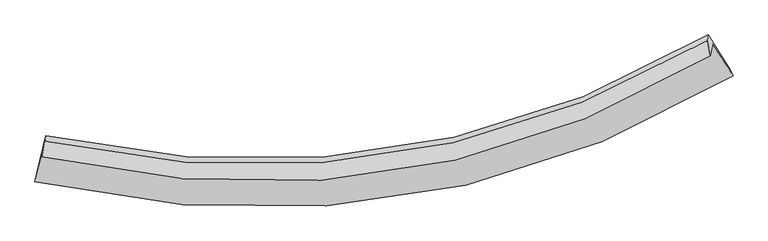
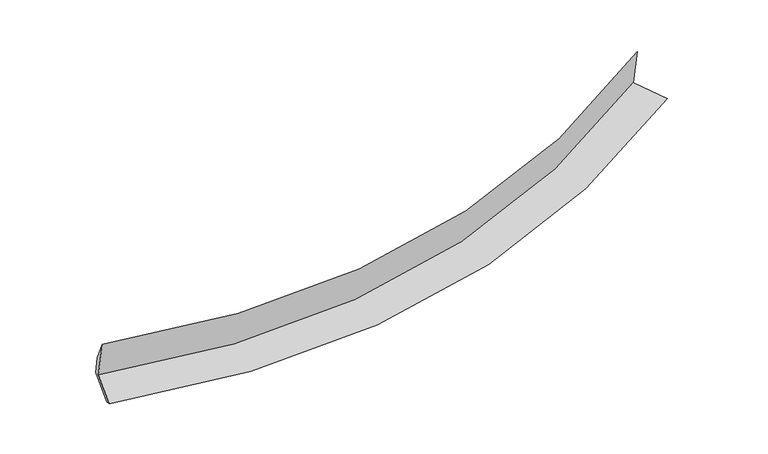
"""IFC4 building model written with IfcOpenShell, lengths in millimetres: proxy geometry."""

from ifc_helpers import new_model, si_unit, frame, origin, place, context, project, spatial, source, transform, mapped, element, save
from ifc_brep_helpers import plane_surface, spline_curve, spline_surface, advanced_brep


def generic_models_f12dcf8a(model_context):
    return source(origin(), model_context, "Body", "AdvancedBrep", [
        advanced_brep(
        [(-6272.0661594, -2046.2382658, 1410.3787426), (-6424.46023, -2680.8069662, 1252.2189421), (5669.6292026, -846.5197563, 2289.6766406), (5314.1357037, -295.7692613, 2416.0034422), (-6308.1733694, -2247.8234757, 2187.6269155), (5278.1416631, -496.7226504, 3190.8155158), (-6252.2658521, -1982.3285173, 1725.7252575), (5218.9737809, -241.3457784, 2725.8942418), (-6235.4253153, -1888.308427, 1363.2138243), (5237.5437078, -137.6705674, 2326.1557473), (-6390.4609787, -2533.0269019, 1188.798986), (5598.2514776, -696.4993038, 2197.9760225)],
        [
            (0, 1),
            (1, 2, spline_curve(3, [(-6424.46023, -2680.8069662, 1252.2189421), (-3812.739074982, -3268.670852097, 1223.785241967), (-1323.847814878, -3287.928497931, 1335.490031656), (2640.75120784, -2367.433818998, 1757.481464353), (4183.223091558, -1736.747102868, 1991.595906756), (5669.6292026, -846.5197563, 2289.6766406)], [4, 2, 4], [0.0, 24.02259920078883, 40.25253727572931])),
            (2, 3),
            (3, 0, spline_curve(3, [(5314.1357037, -295.7692613, 2416.0034422), (3889.268704038, -1150.28981521, 2131.268175818), (2411.046043841, -1755.124639312, 1906.843327188), (-1387.484372578, -2635.944524296, 1499.816373645), (-3771.329000302, -2614.599367701, 1389.032988835), (-6272.0661594, -2046.2382658, 1410.3787426)], [4, 2, 4], [0.0, 16.22993807494048, 40.25253727572931])),
            (4, 0),
            (3, 5),
            (5, 4, spline_curve(3, [(5278.1416631, -496.7226504, 3190.8155158), (3853.506693838, -1349.947786172, 2901.085531047), (2375.416376096, -1954.043747352, 2673.811863579), (-1423.03305269, -2834.411483904, 2265.041568001), (-3807.047745832, -2814.015796744, 2157.919036169), (-6308.1733694, -2247.8234757, 2187.6269155)], [4, 2, 4], [0.0, 15.88270648438025, 39.39135391952678])),
            (6, 4),
            (5, 7),
            (7, 6, spline_curve(3, [(5218.9737809, -241.3457784, 2725.8942418), (3804.961226783, -1070.61160633, 2442.811860659), (2339.446369545, -1659.860413641, 2219.669098449), (-1422.970313789, -2526.004539488, 1814.902270351), (-3781.202001201, -2517.083311643, 1704.655369935), (-6252.2658521, -1982.3285173, 1725.7252575)], [4, 2, 4], [0.0, 15.79633588545385, 39.17714264301057])),
            (8, 6),
            (7, 9),
            (9, 8, spline_curve(3, [(5237.5437078, -137.6705674, 2326.1557473), (3823.129779298, -969.177254366, 2051.713403138), (2357.281665762, -1560.286619611, 1835.74435682), (-1405.792597774, -2430.101988357, 1445.132671015), (-3764.267492417, -2422.538576447, 1340.121075975), (-6235.4253153, -1888.308427, 1363.2138243)], [4, 2, 4], [0.0, 15.71007643307713, 38.96320702562587])),
            (10, 8),
            (9, 11),
            (11, 10, spline_curve(3, [(5598.2514776, -696.4993038, 2197.9760225), (4121.897591111, -1565.95485609, 1910.81391995), (2591.13531395, -2184.366433281, 1684.748238328), (-1340.311689327, -3095.489939596, 1275.601185379), (-3805.78689739, -3089.254228428, 1165.274522257), (-6390.4609787, -2533.0269019, 1188.798986)], [4, 2, 4], [0.0, 16.06404262663608, 39.84109314785199])),
            (1, 10),
            (11, 2),
        ],
        [
            spline_surface(3, 3, [[(-6272.0661594, -2046.2382658, 1410.3787426), (-3771.329000136, -2614.599367993, 1389.032989142), (-1387.484372561, -2635.944524181, 1499.816373672), (2411.04604383, -1755.12463939, 1906.84332717), (3889.268703977, -1150.289815025, 2131.268175837), (5314.1357037, -295.7692613, 2416.0034422)], [(-6322.864182918, -2257.76116593, 1357.65880909), (-3785.132358383, -2832.623195916, 1333.950406666), (-1366.272186603, -2853.272515395, 1445.04092641), (2487.614431789, -1959.227699289, 1857.056039509), (3987.253499898, -1345.775577706, 2084.710752842), (5432.633536685, -479.352759649, 2373.894508327)], [(-6373.662206482, -2469.28406607, 1304.93887561), (-3798.935716677, -3050.647023849, 1278.86782422), (-1345.060000643, -3070.600506598, 1390.265479154), (2564.18281975, -2163.330759178, 1807.268751854), (4085.238295764, -1541.261340342, 2038.153329867), (5551.131369615, -662.936257951, 2331.785574473)], [(-6424.46023, -2680.8069662, 1252.2189421), (-3812.739074925, -3268.670851772, 1223.785241744), (-1323.847814685, -3287.928497812, 1335.490031891), (2640.75120771, -2367.433819078, 1757.481464194), (4183.223091685, -1736.747103023, 1991.595906871), (5669.6292026, -846.5197563, 2289.6766406)]], [4, 4], [4, 2, 4], [0.0, 2.1898842572159904], [0.0, 24.02259920078883, 40.25253727572931]),
            spline_surface(3, 3, [[(-6308.1733694, -2247.8234757, 2187.6269155), (-3807.047746002, -2814.015797092, 2157.919036092), (-1423.033052895, -2834.41148353, 2265.041568293), (2375.416376234, -1954.043747605, 2673.811863382), (3853.506693948, -1349.947786078, 2901.085531272), (5278.1416631, -496.7226504, 3190.8155158)], [(-6296.13763272, -2180.62840571, 1928.544191192), (-3795.141497366, -2747.543654035, 1901.6236871), (-1411.183492787, -2768.255830415, 2009.966503413), (2387.292932096, -1887.737378201, 2418.155684638), (3865.427363954, -1283.395129047, 2644.479746115), (5290.13967663, -429.738187353, 2932.544824588)], [(-6284.10189608, -2113.43333579, 1669.461466908), (-3783.235248771, -2681.07151105, 1645.328338134), (-1399.333932668, -2702.100177296, 1754.891438552), (2399.169487968, -1821.431008794, 2162.499505914), (3877.348033971, -1216.842472056, 2387.873960994), (5302.13769017, -362.753724347, 2674.274133412)], [(-6272.0661594, -2046.2382658, 1410.3787426), (-3771.329000136, -2614.599367993, 1389.032989142), (-1387.484372561, -2635.944524181, 1499.816373672), (2411.04604383, -1755.12463939, 1906.84332717), (3889.268703977, -1150.289815025, 2131.268175837), (5314.1357037, -295.7692613, 2416.0034422)]], [4, 4], [4, 2, 4], [0.0, 2.5993381580435138], [0.0, 23.50864743514653, 39.39135391952678]),
            spline_surface(3, 3, [[(-6252.2658521, -1982.3285173, 1725.7252575), (-3781.202001263, -2517.083311442, 1704.655370286), (-1422.970314095, -2526.004539245, 1814.902269974), (2339.446369752, -1659.860413805, 2219.669098704), (3804.961226913, -1070.611606335, 2442.811860437), (5218.9737809, -241.3457784, 2725.8942418)], [(-6270.901691206, -2070.826836786, 1879.692476828), (-3789.817249515, -2616.060806678, 1855.743258883), (-1422.991227022, -2628.806854009, 1964.948702752), (2351.43637192, -1757.921525074, 2371.050020268), (3821.143049255, -1163.723666248, 2595.569750709), (5238.696408297, -326.471402398, 2880.867999793)], [(-6289.537530294, -2159.325156214, 2033.659696172), (-3798.432497749, -2715.038301855, 2006.831147496), (-1423.012139968, -2731.609168766, 2114.995135516), (2363.426374067, -1855.982636336, 2522.430941818), (3837.324871606, -1256.835726166, 2748.327641001), (5258.419035703, -411.597026402, 3035.841757807)], [(-6308.1733694, -2247.8234757, 2187.6269155), (-3807.047746002, -2814.015797092, 2157.919036092), (-1423.033052895, -2834.41148353, 2265.041568293), (2375.416376234, -1954.043747605, 2673.811863382), (3853.506693948, -1349.947786078, 2901.085531272), (5278.1416631, -496.7226504, 3190.8155158)]], [4, 4], [4, 2, 4], [0.0, 1.784148163100303], [0.0, 23.38080675755672, 39.17714264301057]),
            spline_surface(3, 3, [[(-6235.4253153, -1888.308427, 1363.2138243), (-3764.267492065, -2422.538576744, 1340.121075886), (-1405.792597843, -2430.101988515, 1445.132670717), (2357.281665808, -1560.286619504, 1835.744357021), (3823.129779258, -969.177254539, 2051.713403181), (5237.5437078, -137.6705674, 2326.1557473)], [(-6241.038827568, -1919.648457092, 1484.050968709), (-3769.912328465, -2454.053488301, 1461.632507362), (-1411.518503267, -2462.069505418, 1568.389203818), (2351.336567116, -1593.477884264, 1963.719270929), (3817.073595131, -1002.988705149, 2182.079555611), (5231.353732154, -172.228971078, 2459.401912144)], [(-6246.652339832, -1950.988487208, 1604.888113091), (-3775.557164862, -2485.568399884, 1583.14393881), (-1417.244408671, -2494.037022342, 1691.645736874), (2345.391468444, -1626.669149046, 2091.694184795), (3811.017411041, -1036.800155725, 2312.445708007), (5225.163756546, -206.787374722, 2592.648076956)], [(-6252.2658521, -1982.3285173, 1725.7252575), (-3781.202001263, -2517.083311442, 1704.655370286), (-1422.970314095, -2526.004539245, 1814.902269974), (2339.446369752, -1659.860413805, 2219.669098704), (3804.961226913, -1070.611606335, 2442.811860437), (5218.9737809, -241.3457784, 2725.8942418)]], [4, 4], [4, 2, 4], [0.0, 1.270135133743537], [0.0, 23.25313059254874, 38.96320702562587]),
            spline_surface(3, 3, [[(-6390.4609787, -2533.0269019, 1188.798986), (-3805.786897753, -3089.254228444, 1165.274522009), (-1340.311689582, -3095.489939529, 1275.601185733), (2591.135314122, -2184.366433326, 1684.748238089), (4121.89759134, -1565.954856247, 1910.813919894), (5598.2514776, -696.4993038, 2197.9760225)], [(-6338.782424236, -2318.120743599, 1246.937265432), (-3791.947095859, -2867.015677877, 1223.556706633), (-1362.13865898, -2873.693955864, 1332.111680706), (2513.184098039, -1976.339828725, 1735.080277712), (4022.308320635, -1367.028989027, 1957.78041434), (5478.015554322, -510.223058349, 2240.702597451)], [(-6287.103869764, -2103.214585301, 1305.075544868), (-3778.107293958, -2644.777127311, 1281.838891262), (-1383.965628444, -2651.897972181, 1388.622175744), (2435.232881891, -1768.313224105, 1785.412317398), (3922.719049963, -1168.103121759, 2004.746908735), (5357.779631078, -323.946812851, 2283.429172349)], [(-6235.4253153, -1888.308427, 1363.2138243), (-3764.267492065, -2422.538576744, 1340.121075886), (-1405.792597843, -2430.101988515, 1445.132670717), (2357.281665808, -1560.286619504, 1835.744357021), (3823.129779258, -969.177254539, 2051.713403181), (5237.5437078, -137.6705674, 2326.1557473)]], [4, 4], [4, 2, 4], [0.0, 2.2346892217208176], [0.0, 23.777050521215912, 39.84109314785199]),
            spline_surface(3, 3, [[(-6424.46023, -2680.8069662, 1252.2189421), (-3812.739074925, -3268.670851772, 1223.785241744), (-1323.847814685, -3287.928497812, 1335.490031891), (2640.75120771, -2367.433819078, 1757.481464194), (4183.223091685, -1736.747103023, 1991.595906871), (5669.6292026, -846.5197563, 2289.6766406)], [(-6413.127146252, -2631.546944783, 1231.078956749), (-3810.421682553, -3208.865310679, 1204.281668515), (-1329.335773002, -3223.782311712, 1315.527083183), (2624.212576496, -2306.411357155, 1733.237055503), (4162.781258248, -1679.81635407, 1964.668577876), (5645.836627611, -796.512938773, 2259.109767897)], [(-6401.794062448, -2582.286923317, 1209.938971351), (-3808.104290125, -3149.059769537, 1184.778095238), (-1334.823731265, -3159.636125629, 1295.564134441), (2607.673945335, -2245.388895249, 1708.99264678), (4142.339424777, -1622.8856052, 1937.741248889), (5622.044052589, -746.506121327, 2228.542895203)], [(-6390.4609787, -2533.0269019, 1188.798986), (-3805.786897753, -3089.254228444, 1165.274522009), (-1340.311689582, -3095.489939529, 1275.601185733), (2591.135314122, -2184.366433326, 1684.748238089), (4121.89759134, -1565.954856247, 1910.813919894), (5598.2514776, -696.4993038, 2197.9760225)]], [4, 4], [4, 2, 4], [0.0, 0.657901124401265], [0.0, 24.418642591604186, 40.91615203358107]),
            plane_surface(frame((5386.1125893, -452.4212196, 2524.4202684), z_axis=(0.8452292815503514, 0.5064370351677145, 0.17061357220459397), x_axis=(-0.0449220089044548, -0.25079790400050944, 0.9669966000276006))),
            plane_surface(frame((-6313.8086508, -2229.7554257, 1521.3271113), z_axis=(-0.9730644159916838, 0.23007889020691624, 0.014468815152501154), x_axis=(0.2269448279188103, 0.9449979516207859, 0.2355311370358925))),
        ],
        [
            (0, [[1, 2, 3, 4]]),
            (1, [[5, -4, 6, 7]]),
            (2, [[8, -7, 9, 10]]),
            (3, [[11, -10, 12, 13]]),
            (4, [[14, -13, 15, 16]]),
            (5, [[17, -16, 18, -2]]),
            (6, [[-12, -9, -6, -3, -18, -15]]),
            (7, [[-1, -5, -8, -11, -14, -17]]),
        ],
    ),
    ])


if __name__ == "__main__":
    model = new_model("IFC4")
    model_context = context("Model", 3, world=origin())
    ifc_project = project(units=[si_unit("LENGTHUNIT", "METRE", prefix="MILLI")], contexts=[model_context])
    site = spatial("IfcSite", under=ifc_project)
    building = spatial("IfcBuilding", under=site)
    placement = place(None, origin())
    generic_models_shape = generic_models_f12dcf8a(model_context)
    element("IfcBuildingElementProxy", 1, Name="Generic Models", at=placement, inside=building, context=model_context, shape_type="MappedRepresentation", body=[
        mapped(generic_models_shape, transform((0.0, 0.0, 0.0), x_axis=(1.0, 0.0, 0.0), y_axis=(0.0, 1.0, 0.0), z_axis=(0.0, 0.0, 1.0))),
    ])
    save(model, "model.ifc")
